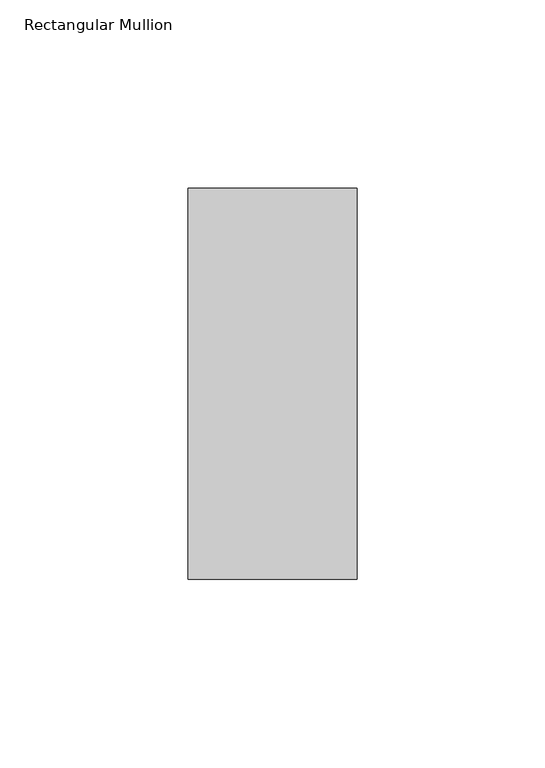
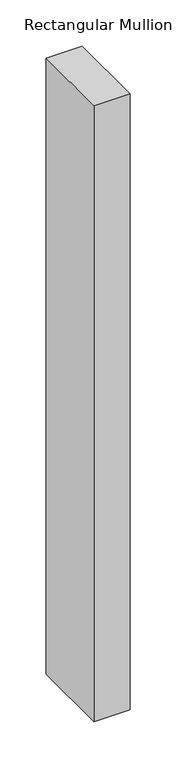
"""IFC4 building model written with IfcOpenShell, lengths in millimetres: member geometry, Rectangular Mullion."""

from ifc_helpers import new_model, si_unit, frame, origin, place, context, project, spatial, polyline, outline, extrude, source, transform, mapped, element, save


def rectangular_mullion_f7abd630(model_context):
    return source(origin(), model_context, "Body", "SweptSolid", [
        extrude(outline(polyline([(-45.0, 67.525), (0.0, 67.525), (0.0, -36.525), (-45.0, -36.525), (-45.0, 67.525)])), frame((0.0, 0.0, -814.6354352), z_axis=(0.0, 0.0, 1.0), x_axis=(1.0, 0.0, 0.0)), (0.0, 0.0, 1.0), 814.6354352),
    ])


if __name__ == "__main__":
    model = new_model("IFC4")
    model_context = context("Model", 3, world=origin())
    ifc_project = project(units=[si_unit("LENGTHUNIT", "METRE", prefix="MILLI")], contexts=[model_context])
    site = spatial("IfcSite", under=ifc_project)
    building = spatial("IfcBuilding", under=site)
    placement = place(None, origin())
    rectangular_mullion_shape = rectangular_mullion_f7abd630(model_context)
    element("IfcMember", 1, ObjectType="Rectangular Mullion", at=placement, inside=building, context=model_context, shape_type="MappedRepresentation", body=[
        mapped(rectangular_mullion_shape, transform((0.0, 0.0, 0.0), x_axis=(1.0, 0.0, 0.0), y_axis=(0.0, 1.0, 0.0), z_axis=(0.0, 0.0, 1.0))),
    ])
    save(model, "model.ifc")
